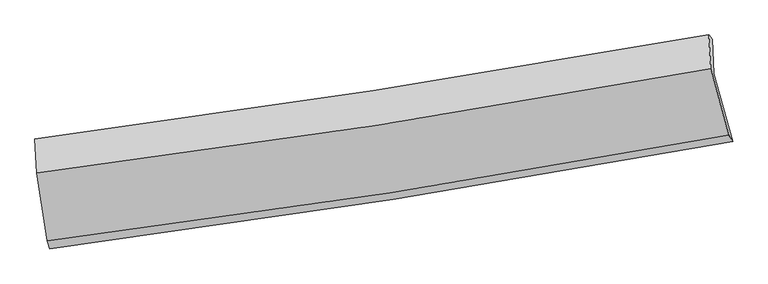
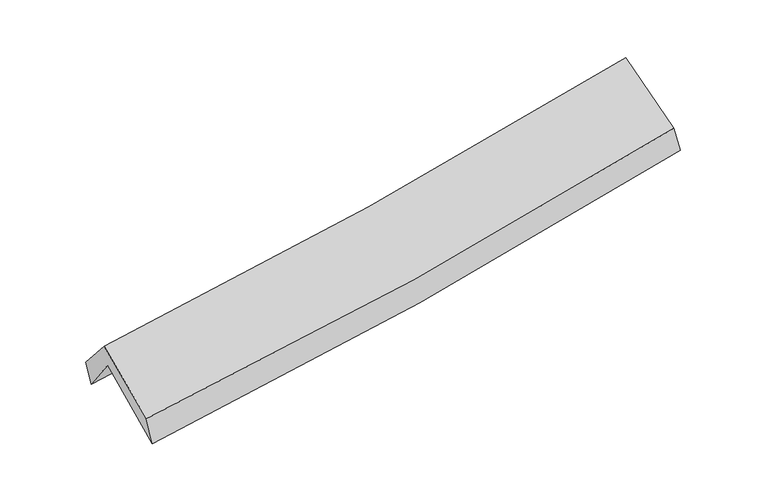
"""IFC4 building model written with IfcOpenShell, lengths in millimetres: proxy geometry."""

from ifc_helpers import new_model, si_unit, frame, origin, place, context, project, spatial, source, transform, mapped, element, save
from ifc_brep_helpers import plane_surface, spline_curve, spline_surface, advanced_brep


def generic_models_13bb1b76(model_context):
    return source(origin(), model_context, "Body", "AdvancedBrep", [
        advanced_brep(
        [(-2422.6507159, -2476.1900677, 1490.0383183), (-2505.0310569, -1952.7379901, 1916.4022025), (2434.6342646, -1192.3840594, 2366.3595536), (2572.671761, -1691.7365775, 1933.54352), (-2514.9613091, -1720.7745492, 1606.3287168), (2423.9123847, -941.659958, 2043.8354361), (-2529.9346579, -1670.9315561, 1780.7895534), (2398.9110246, -909.6356437, 2220.3941937), (-2517.062339, -1919.4236588, 2071.0008332), (2412.525013, -1156.0584558, 2509.0412931), (-2439.8972673, -2416.5575789, 1686.2277912), (2544.131292, -1641.3923209, 2111.9280216)],
        [
            (0, 1),
            (1, 2, spline_curve(3, [(-2505.0310569, -1952.7379901, 1916.4022025), (-1674.262426195, -1848.642797978, 1966.606654891), (-846.395004566, -1733.077843876, 2029.308544682), (800.136229346, -1479.532153012, 2179.397165461), (1618.823914931, -1341.64579703, 2266.681059407), (2434.6342646, -1192.3840594, 2366.3595536)], [4, 2, 4], [0.0, 8.298246260825618, 16.562280305569573])),
            (2, 3),
            (3, 0, spline_curve(3, [(2572.671761, -1691.7365775, 1933.54352), (1747.315839644, -1841.738794618, 1833.410117728), (919.226554668, -1981.996163406, 1746.433759987), (-745.858259073, -2243.561512454, 1598.489529961), (-1582.87646655, -2364.788640401, 1537.630820231), (-2422.6507159, -2476.1900677, 1490.0383183)], [4, 2, 4], [0.0, 8.264034044743955, 16.562280305569573])),
            (1, 4),
            (4, 5, spline_curve(3, [(-2514.9613091, -1720.7745492, 1606.3287168), (-1684.175696639, -1607.777594227, 1643.232548466), (-856.366043735, -1486.201098843, 1698.256021781), (789.900699665, -1226.4256371, 1844.240694966), (1608.382277538, -1088.297268735, 1935.05279489), (2423.9123847, -941.659958, 2043.8354361)], [4, 2, 4], [0.0, 8.25189999623977, 16.469778853930254])),
            (5, 2),
            (4, 6),
            (6, 7, spline_curve(3, [(-2529.9346579, -1670.9315561, 1780.7895534), (-1701.561293692, -1562.494659586, 1828.179215024), (-875.794396781, -1444.684514225, 1888.610322762), (767.132716487, -1190.842081036, 2035.252516165), (1584.314380257, -1054.886922005, 2121.3562887), (2398.9110246, -909.6356437, 2220.3941937)], [4, 2, 4], [0.0, 8.242435146078144, 16.450888175526664])),
            (7, 5),
            (6, 8),
            (8, 9, spline_curve(3, [(-2517.062339, -1919.4236588, 2071.0008332), (-1688.259024244, -1816.542299769, 2125.240985819), (-862.215534994, -1701.331031338, 2188.959376291), (780.957539625, -1446.774505004, 2335.050856228), (1598.109834104, -1307.530705807, 2417.345952178), (2412.525013, -1156.0584558, 2509.0412931)], [4, 2, 4], [0.0, 8.23240988230076, 16.430878980378747])),
            (9, 7),
            (8, 10),
            (10, 11, spline_curve(3, [(-2439.8972673, -2416.5575789, 1686.2277912), (-1601.244455601, -2313.286828978, 1730.513798168), (-765.73086099, -2196.893862379, 1788.232791623), (895.586160602, -1938.397465038, 1930.243403625), (1721.415419024, -1796.402012116, 2014.424487065), (2544.131292, -1641.3923209, 2111.9280216)], [4, 2, 4], [0.0, 8.278140911417147, 16.52215249758724])),
            (11, 9),
            (10, 0),
            (3, 11),
        ],
        [
            spline_surface(3, 3, [[(-2422.6507159, -2476.1900677, 1490.0383183), (-1582.876466481, -2364.788640336, 1537.630820303), (-745.858259091, -2243.561512421, 1598.489529844), (919.226554686, -1981.99616344, 1746.433760104), (1747.31583962, -1841.738794576, 1833.410117755), (2572.671761, -1691.7365775, 1933.54352)], [(-2450.110829592, -2301.70604184, 1632.159613045), (-1613.338453105, -2192.740026267, 1680.622765178), (-779.370507615, -2073.400289585, 1742.095868128), (879.52977962, -1814.508159962, 1890.754895226), (1704.485198088, -1675.041128695, 1977.833764954), (2526.659262211, -1525.285738129, 2077.815531201)], [(-2477.570943208, -2127.22201596, 1774.280907755), (-1643.800439653, -2020.691412178, 1823.614710019), (-812.882756162, -1903.239066733, 1885.7022064), (839.833004532, -1647.020156469, 2035.076030337), (1661.654556524, -1508.343462829, 2122.257412149), (2480.646763389, -1358.834898771, 2222.087542399)], [(-2505.0310569, -1952.7379901, 1916.4022025), (-1674.262426277, -1848.642798108, 1966.606654894), (-846.395004686, -1733.077843896, 2029.308544684), (800.136229466, -1479.532152992, 2179.397165459), (1618.823914993, -1341.645796948, 2266.681059348), (2434.6342646, -1192.3840594, 2366.3595536)]], [4, 4], [4, 2, 4], [0.0, 2.213313370881808], [0.0, 8.298246260825618, 16.562280305569573]),
            spline_surface(3, 3, [[(-2505.0310569, -1952.7379901, 1916.4022025), (-1674.262426277, -1848.642798108, 1966.606654894), (-846.395004686, -1733.077843896, 2029.308544684), (800.136229466, -1479.532152992, 2179.397165459), (1618.823914993, -1341.645796948, 2266.681059348), (2434.6342646, -1192.3840594, 2366.3595536)], [(-2508.341140951, -1875.416843149, 1813.04437394), (-1677.566849758, -1768.354396867, 1858.815286087), (-849.71868433, -1650.785595546, 1918.957703682), (796.724386147, -1395.163314339, 2067.67834197), (1615.343369194, -1257.196287559, 2156.138304514), (2431.060304618, -1108.809358914, 2258.851514418)], [(-2511.651225049, -1798.095696151, 1709.68654536), (-1680.871273285, -1688.065995578, 1751.023917259), (-853.042363955, -1568.493347228, 1808.606862719), (793.312542848, -1310.794475718, 1955.95951852), (1611.86282344, -1172.746778228, 2045.595549724), (2427.486344682, -1025.234658486, 2151.343475282)], [(-2514.9613091, -1720.7745492, 1606.3287168), (-1684.175696766, -1607.777594337, 1643.232548452), (-856.366043599, -1486.201098878, 1698.256021716), (789.900699529, -1226.425637065, 1844.240695031), (1608.382277641, -1088.297268839, 1935.052794889), (2423.9123847, -941.659958, 2043.8354361)]], [4, 4], [4, 2, 4], [0.0, 1.366753713892707], [0.0, 8.25189999623977, 16.469778853930254]),
            spline_surface(3, 3, [[(-2514.9613091, -1720.7745492, 1606.3287168), (-1684.175696766, -1607.777594337, 1643.232548452), (-856.366043599, -1486.201098878, 1698.256021716), (789.900699529, -1226.425637065, 1844.240695031), (1608.382277641, -1088.297268839, 1935.052794889), (2423.9123847, -941.659958, 2043.8354361)], [(-2519.95242537, -1704.160218153, 1664.48232898), (-1689.970895745, -1592.683282748, 1704.881437255), (-862.842161316, -1472.362237365, 1761.707455378), (782.311371804, -1214.564451711, 1907.911302139), (1600.359645172, -1077.160486617, 1997.153959487), (2415.578597985, -930.985186577, 2102.688355323)], [(-2524.94354163, -1687.545887147, 1722.63594122), (-1695.766094715, -1577.588971201, 1766.530326117), (-869.318278981, -1458.523375811, 1825.158888974), (774.72204413, -1202.703266317, 1971.581909182), (1592.337012747, -1066.023704364, 2059.255124016), (2407.244811315, -920.310415123, 2161.541274477)], [(-2529.9346579, -1670.9315561, 1780.7895534), (-1701.561293694, -1562.494659612, 1828.179214921), (-875.794396698, -1444.684514298, 1888.610322636), (767.132716405, -1190.842080962, 2035.252516291), (1584.314380278, -1054.886922142, 2121.356288614), (2398.9110246, -909.6356437, 2220.3941937)]], [4, 4], [4, 2, 4], [0.0, 0.6420007862217458], [0.0, 8.242435146078144, 16.450888175526664]),
            spline_surface(3, 3, [[(-2529.9346579, -1670.9315561, 1780.7895534), (-1701.561293694, -1562.494659612, 1828.179214921), (-875.794396698, -1444.684514298, 1888.610322636), (767.132716405, -1190.842080962, 2035.252516291), (1584.314380278, -1054.886922142, 2121.356288614), (2398.9110246, -909.6356437, 2220.3941937)], [(-2525.643884924, -1753.762257009, 1877.526646681), (-1697.127203908, -1647.177206336, 1927.199805259), (-871.268109397, -1530.233353268, 1988.726673878), (771.740990789, -1276.152888978, 2135.185296231), (1588.912864872, -1139.101516736, 2220.019509816), (2403.449020752, -991.776581081, 2316.609893479)], [(-2521.353111976, -1836.592957891, 1974.263739919), (-1692.693114149, -1731.859753033, 2026.220395555), (-866.741822161, -1615.782192299, 2088.843025143), (776.349265107, -1361.463697056, 2235.118076194), (1593.511349411, -1223.316111289, 2318.682731083), (2407.987016848, -1073.917518419, 2412.825593321)], [(-2517.062339, -1919.4236588, 2071.0008332), (-1688.259024363, -1816.542299757, 2125.240985894), (-862.215534859, -1701.331031269, 2188.959376385), (780.957539491, -1446.774505072, 2335.050856135), (1598.109834005, -1307.530705883, 2417.345952286), (2412.525013, -1156.0584558, 2509.0412931)]], [4, 4], [4, 2, 4], [0.0, 1.2954857987402488], [0.0, 8.23240988230076, 16.430878980378747]),
            spline_surface(3, 3, [[(-2517.062339, -1919.4236588, 2071.0008332), (-1688.259024363, -1816.542299757, 2125.240985894), (-862.215534859, -1701.331031269, 2188.959376385), (780.957539491, -1446.774505072, 2335.050856135), (1598.109834005, -1307.530705883, 2417.345952286), (2412.525013, -1156.0584558, 2509.0412931)], [(-2491.340648441, -2085.134965507, 1942.743152551), (-1659.254168123, -1982.123809479, 1993.665256664), (-830.053976893, -1866.518641683, 2055.383848088), (819.167079862, -1610.648825052, 2200.115038636), (1639.211695683, -1470.487807942, 2283.038797237), (2456.393772658, -1317.836410821, 2376.670202596)], [(-2465.618957859, -2250.846272193, 1814.485471849), (-1630.249311861, -2147.70531918, 1862.089527383), (-797.892418943, -2031.706252045, 1921.808319849), (857.376620218, -1774.523144979, 2065.179221196), (1680.313557387, -1633.444910036, 2148.7316422), (2500.262532342, -1479.614365879, 2244.299112104)], [(-2439.8972673, -2416.5575789, 1686.2277912), (-1601.244455621, -2313.286828902, 1730.513798153), (-765.730860977, -2196.893862459, 1788.232791552), (895.586160589, -1938.397464958, 1930.243403697), (1721.415419064, -1796.402012095, 2014.42448715), (2544.131292, -1641.3923209, 2111.9280216)]], [4, 4], [4, 2, 4], [0.0, 2.118596373486093], [0.0, 8.278140911417147, 16.52215249758724]),
            spline_surface(3, 3, [[(-2439.8972673, -2416.5575789, 1686.2277912), (-1601.244455621, -2313.286828902, 1730.513798153), (-765.730860977, -2196.893862459, 1788.232791552), (895.586160589, -1938.397464958, 1930.243403697), (1721.415419064, -1796.402012095, 2014.42448715), (2544.131292, -1641.3923209, 2111.9280216)], [(-2434.148416822, -2436.435075142, 1620.831300202), (-1595.121792563, -2330.454099355, 1666.219472172), (-759.10666036, -2212.449745775, 1724.985037664), (903.466291943, -1952.930364447, 1868.973522514), (1730.048892592, -1811.514272934, 1954.086364035), (2553.644781676, -1658.173739779, 2052.466521083)], [(-2428.399566378, -2456.312571458, 1555.434809298), (-1588.999129539, -2347.621369882, 1601.925146284), (-752.482459708, -2228.005629105, 1661.737283732), (911.346423332, -1967.463263951, 1807.703641287), (1738.682366092, -1826.626533737, 1893.74824087), (2563.158271324, -1674.955158621, 1993.005020517)], [(-2422.6507159, -2476.1900677, 1490.0383183), (-1582.876466481, -2364.788640336, 1537.630820303), (-745.858259091, -2243.561512421, 1598.489529844), (919.226554686, -1981.99616344, 1746.433760104), (1747.31583962, -1841.738794576, 1833.410117755), (2572.671761, -1691.7365775, 1933.54352)]], [4, 4], [4, 2, 4], [0.0, 0.6344894055994617], [0.0, 8.334470060710036, 16.63457856095527]),
            plane_surface(frame((2464.46429, -1255.4778359, 2197.517003), z_axis=(0.9782151937687995, 0.17839501974289904, 0.10616144126188434), x_axis=(0.2053922233583222, -0.7574395567862694, -0.6197574948311193))),
            plane_surface(frame((-2488.2562243, -2026.1025668, 1758.4645692), z_axis=(-0.9921766309029716, -0.11310807431688011, -0.05284029347340917), x_axis=(-0.08381223499056757, 0.2897931321243161, 0.9534125286776258))),
        ],
        [
            (0, [[1, 2, 3, 4]]),
            (1, [[5, 6, 7, -2]]),
            (2, [[8, 9, 10, -6]]),
            (3, [[11, 12, 13, -9]]),
            (4, [[14, 15, 16, -12]]),
            (5, [[17, -4, 18, -15]]),
            (6, [[-16, -18, -3, -7, -10, -13]]),
            (7, [[-17, -14, -11, -8, -5, -1]]),
        ],
    ),
    ])


if __name__ == "__main__":
    model = new_model("IFC4")
    model_context = context("Model", 3, world=origin())
    ifc_project = project(units=[si_unit("LENGTHUNIT", "METRE", prefix="MILLI")], contexts=[model_context])
    site = spatial("IfcSite", under=ifc_project)
    building = spatial("IfcBuilding", under=site)
    placement = place(None, origin())
    generic_models_shape = generic_models_13bb1b76(model_context)
    element("IfcBuildingElementProxy", 1, Name="Generic Models", at=placement, inside=building, context=model_context, shape_type="MappedRepresentation", body=[
        mapped(generic_models_shape, transform((0.0, 0.0, 0.0), x_axis=(1.0, 0.0, 0.0), y_axis=(0.0, 1.0, 0.0), z_axis=(0.0, 0.0, 1.0))),
    ])
    save(model, "model.ifc")
